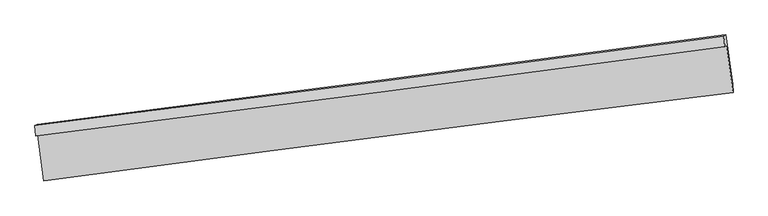
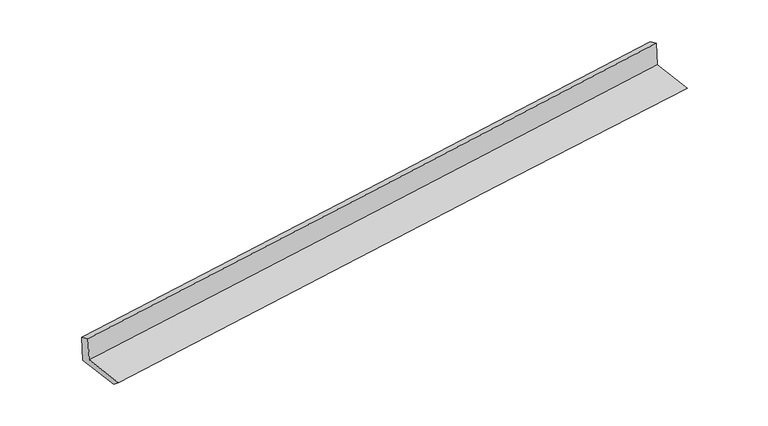
"""IFC4 building model written with IfcOpenShell, lengths in millimetres: proxy geometry."""

from ifc_helpers import new_model, si_unit, frame, origin, place, context, project, spatial, source, transform, mapped, element, save
from ifc_brep_helpers import plane_surface, spline_curve, spline_surface, advanced_brep


def generic_models_b286a4c7(model_context):
    return source(origin(), model_context, "Body", "AdvancedBrep", [
        advanced_brep(
        [(-4773.2251459, -2129.2406542, 1881.416615), (-4746.4556859, -2114.251188, 1517.4157152), (4701.9231481, -883.8072101, 2262.9405148), (4675.1536881, -898.7966763, 2626.9414146), (-4787.0212701, -1986.1228113, 1820.4301473), (4661.357564, -755.6788335, 2565.9549469), (-4758.1972604, -1969.9829072, 1428.4922655), (4690.1815737, -739.5389293, 2174.0170651), (-4670.2126863, -2634.0323348, 1407.617463), (4780.1354282, -1418.4511843, 2152.6750405), (-4662.4582437, -2748.208379, 1497.4868806), (4787.8898708, -1532.6272286, 2242.5444581)],
        [
            (0, 1),
            (1, 2, spline_curve(3, [(-4746.4556859, -2114.251188, 1517.4157152), (-3169.935825355, -1915.002882642, 1641.561592848), (-1593.813230125, -1712.774992747, 1765.800952811), (1555.645376899, -1302.619471476, 2014.309455673), (3128.982393363, -1094.699368027, 2138.578362015), (4701.9231481, -883.8072101, 2262.9405148)], [4, 2, 4], [0.0, 15.687907267052456, 31.35598168794555])),
            (2, 3),
            (3, 0, spline_curve(3, [(4675.1536881, -898.7966763, 2626.9414146), (3102.212933363, -1109.688834227, 2502.579261815), (1528.875916899, -1317.608937576, 2378.310355573), (-1620.582690125, -1727.764458847, 2129.801852711), (-3196.705285355, -1929.992348842, 2005.562492648), (-4773.2251459, -2129.2406542, 1881.416615)], [4, 2, 4], [0.0, 15.668074420893095, 31.35598168794555])),
            (4, 0),
            (3, 5),
            (5, 4, spline_curve(3, [(4661.357564, -755.6788335, 2565.9549469), (3088.416809263, -966.570991427, 2441.592794115), (1515.079792799, -1174.491094776, 2317.323887773), (-1634.378814225, -1584.646616047, 2068.815384911), (-3210.501409555, -1786.874505942, 1944.576024948), (-4787.0212701, -1986.1228113, 1820.4301473)], [4, 2, 4], [0.0, 15.668074420893097, 31.355981687945555])),
            (6, 4),
            (5, 7),
            (7, 6, spline_curve(3, [(4690.1815737, -739.5389293, 2174.0170651), (3117.240818963, -950.431087227, 2049.654912315), (1543.903802499, -1158.351190676, 1925.386006073), (-1605.554804525, -1568.506711947, 1676.877503211), (-3181.677399855, -1770.734601842, 1552.638143148), (-4758.1972604, -1969.9829072, 1428.4922655)], [4, 2, 4], [0.0, 15.668074420893095, 31.35598168794555])),
            (8, 6),
            (7, 9),
            (9, 8, spline_curve(3, [(4780.1354282, -1418.4511843, 2152.6750405), (3204.89821719, -1612.011207075, 2028.857734282), (1630.248347337, -1810.022758466, 1904.900309048), (-1519.869178933, -2215.205199054, 1656.548138317), (-3095.335346755, -2422.387364079, 1532.153037312), (-4670.2126863, -2634.0323348, 1407.617463)], [4, 2, 4], [0.0, 15.668129507974173, 31.35609193183763])),
            (10, 8),
            (9, 11),
            (11, 10, spline_curve(3, [(4787.8898708, -1532.6272286, 2242.5444581), (3212.65265979, -1726.187251375, 2118.727151882), (1638.002790037, -1924.198802666, 1994.769726648), (-1512.114736233, -2329.381243254, 1746.417555917), (-3087.580904155, -2536.563408279, 1622.022454912), (-4662.4582437, -2748.208379, 1497.4868806)], [4, 2, 4], [0.0, 15.668129507974173, 31.35609193183763])),
            (1, 10),
            (11, 2),
        ],
        [
            spline_surface(3, 3, [[(-4773.2251459, -2129.2406542, 1881.416615), (-3196.705285343, -1929.992348645, 2005.562492514), (-1620.582690376, -1727.764458968, 2129.801852767), (1528.875917149, -1317.608937455, 2378.310355517), (3102.21293349, -1109.688834475, 2502.579261793), (4675.1536881, -898.7966763, 2626.9414146)], [(-4764.301992557, -2124.244165473, 1760.082981712), (-3187.782132, -1924.995859919, 1884.228859226), (-1611.659537033, -1722.767970242, 2008.468219479), (1537.799070492, -1312.612448728, 2256.976722229), (3111.136086833, -1104.692345749, 2381.245628504), (4684.076841443, -893.800187573, 2505.607781312)], [(-4755.378839243, -2119.247676727, 1638.749348488), (-3178.858978686, -1919.999371172, 1762.895226002), (-1602.736383719, -1717.771481595, 1887.134586155), (1546.722223806, -1307.615960081, 2135.643088905), (3120.059240147, -1099.695857002, 2259.911995281), (4692.999994757, -888.803698827, 2384.274148088)], [(-4746.4556859, -2114.251188, 1517.4157152), (-3169.935825343, -1915.002882445, 1641.561592714), (-1593.813230376, -1712.774992868, 1765.800952867), (1555.645377149, -1302.619471355, 2014.309455617), (3128.98239349, -1094.699368275, 2138.578361993), (4701.9231481, -883.8072101, 2262.9405148)]], [4, 4], [4, 2, 4], [0.0, 1.198463210396883], [0.0, 15.687907267052456, 31.35598168794555]),
            spline_surface(3, 3, [[(-4787.0212701, -1986.1228113, 1820.4301473), (-3210.501409543, -1786.874505745, 1944.576024814), (-1634.378814476, -1584.646616168, 2068.815384967), (1515.079793049, -1174.491094655, 2317.323887717), (3088.41680939, -966.570991675, 2441.592794093), (4661.357564, -755.6788335, 2565.9549469)], [(-4782.42256206, -2033.828758917, 1840.758969883), (-3205.902701503, -1834.580453362, 1964.904847397), (-1629.780106436, -1632.352563785, 2089.14420755), (1519.678501089, -1222.197042271, 2337.6527103), (3093.01551743, -1014.276939292, 2461.921616676), (4665.95627204, -803.384781117, 2586.283769483)], [(-4777.82385394, -2081.534706583, 1861.087792417), (-3201.303993382, -1882.286401029, 1985.233669931), (-1625.181398415, -1680.058511352, 2109.473030184), (1524.27720911, -1269.902989838, 2357.981532934), (3097.614225451, -1061.982886859, 2482.25043921), (4670.55498006, -851.090728683, 2606.612592017)], [(-4773.2251459, -2129.2406542, 1881.416615), (-3196.705285343, -1929.992348645, 2005.562492514), (-1620.582690376, -1727.764458968, 2129.801852767), (1528.875917149, -1317.608937455, 2378.310355517), (3102.21293349, -1109.688834475, 2502.579261793), (4675.1536881, -898.7966763, 2626.9414146)]], [4, 4], [4, 2, 4], [0.0, 0.5124037472284543], [0.0, 15.687907267052458, 31.355981687945555]),
            spline_surface(3, 3, [[(-4758.1972604, -1969.9829072, 1428.4922655), (-3181.677399843, -1770.734601645, 1552.638143014), (-1605.554804776, -1568.506712068, 1676.877503267), (1543.903802749, -1158.351190555, 1925.386006017), (3117.24081909, -950.431087475, 2049.654912293), (4690.1815737, -739.5389293, 2174.0170651)], [(-4767.805263625, -1975.36287524, 1559.138226087), (-3191.285403068, -1776.114569685, 1683.284103601), (-1615.162808001, -1573.886680108, 1807.523463854), (1534.295799524, -1163.731158595, 2056.031966605), (3107.632815865, -955.811055515, 2180.30087288), (4680.573570475, -744.91889734, 2304.663025687)], [(-4777.413266875, -1980.74284326, 1689.784186713), (-3200.893406318, -1781.494537706, 1813.930064226), (-1624.77081125, -1579.266648129, 1938.169424379), (1524.687796274, -1169.111126615, 2186.67792713), (3098.024812616, -961.191023635, 2310.946833505), (4670.965567225, -750.29886546, 2435.308986313)], [(-4787.0212701, -1986.1228113, 1820.4301473), (-3210.501409543, -1786.874505745, 1944.576024814), (-1634.378814476, -1584.646616168, 2068.815384967), (1515.079793049, -1174.491094655, 2317.323887717), (3088.41680939, -966.570991675, 2441.592794093), (4661.357564, -755.6788335, 2565.9549469)]], [4, 4], [4, 2, 4], [0.0, 1.2904449747998092], [0.0, 15.687907267052456, 31.35598168794555]),
            plane_surface(frame((-4714.2049733, -2302.007621, 1418.0548643), z_axis=(0.07328244344018994, 0.041034249712585014, -0.9964666947941415), x_axis=(-0.1312853615440628, 0.9908551594977468, 0.031148141853720696))),
            spline_surface(3, 3, [[(-4662.4582437, -2748.208379, 1497.4868806), (-3087.580904392, -2536.563408387, 1622.022454911), (-1512.114736109, -2329.381243005, 1746.417555845), (1638.002789913, -1924.198802915, 1994.76972672), (3212.652659823, -1726.187251545, 2118.727151632), (4787.8898708, -1532.6272286, 2242.5444581)], [(-4665.04305791, -2710.149697593, 1467.530408058), (-3090.165718602, -2498.50472698, 1592.065982369), (-1514.699550319, -2291.322561598, 1716.461083303), (1635.417975703, -1886.140121508, 1964.813254178), (3210.067845613, -1688.128570139, 2088.77067909), (4785.30505659, -1494.568547193, 2212.587985558)], [(-4667.62787209, -2672.091016207, 1437.573935542), (-3092.750532782, -2460.446045593, 1562.109509853), (-1517.284364599, -2253.263880211, 1686.504610787), (1632.833161423, -1848.081440121, 1934.856781662), (3207.483031433, -1650.069888652, 2058.814206574), (4782.72024241, -1456.509865707, 2182.631513042)], [(-4670.2126863, -2634.0323348, 1407.617463), (-3095.335346992, -2422.387364187, 1532.153037311), (-1519.869178809, -2215.205198805, 1656.548138245), (1630.248347213, -1810.022758715, 1904.90030912), (3204.898217223, -1612.011207245, 2028.857734032), (4780.1354282, -1418.4511843, 2152.6750405)]], [4, 4], [4, 2, 4], [0.0, 0.4773910964226748], [0.0, 15.687962423863455, 31.35609193183763]),
            plane_surface(frame((-4704.4569648, -2431.2297835, 1507.4512979), z_axis=(-0.07328244344018943, -0.0410342497125876, 0.9964666947941415), x_axis=(0.13128536154406367, -0.9908551594977466, -0.031148141853723263))),
            plane_surface(frame((4716.1068788, -1038.1500103, 2337.51224), z_axis=(0.9886323064353502, 0.12853887834900388, 0.07799948349251978), x_axis=(-0.1312853615440628, 0.9908551594977468, 0.031148141853720696))),
            plane_surface(frame((-4732.928382, -2263.6397124, 1592.1431811), z_axis=(-0.9886323064353504, -0.12853887834900193, -0.07799948349252012), x_axis=(-0.07328244344018998, -0.04103424971258539, 0.9964666947941414))),
        ],
        [
            (0, [[1, 2, 3, 4]]),
            (1, [[5, -4, 6, 7]]),
            (2, [[8, -7, 9, 10]]),
            (3, [[11, -10, 12, 13]]),
            (4, [[14, -13, 15, 16]]),
            (5, [[17, -16, 18, -2]]),
            (6, [[-12, -9, -6, -3, -18, -15]]),
            (7, [[-1, -5, -8, -11, -14, -17]]),
        ],
    ),
    ])


if __name__ == "__main__":
    model = new_model("IFC4")
    model_context = context("Model", 3, world=origin())
    ifc_project = project(units=[si_unit("LENGTHUNIT", "METRE", prefix="MILLI")], contexts=[model_context])
    site = spatial("IfcSite", under=ifc_project)
    building = spatial("IfcBuilding", under=site)
    placement = place(None, origin())
    generic_models_shape = generic_models_b286a4c7(model_context)
    element("IfcBuildingElementProxy", 1, Name="Generic Models", at=placement, inside=building, context=model_context, shape_type="MappedRepresentation", body=[
        mapped(generic_models_shape, transform((0.0, 0.0, 0.0), x_axis=(1.0, 0.0, 0.0), y_axis=(0.0, 1.0, 0.0), z_axis=(0.0, 0.0, 1.0))),
    ])
    save(model, "model.ifc")
